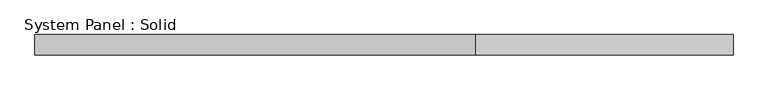
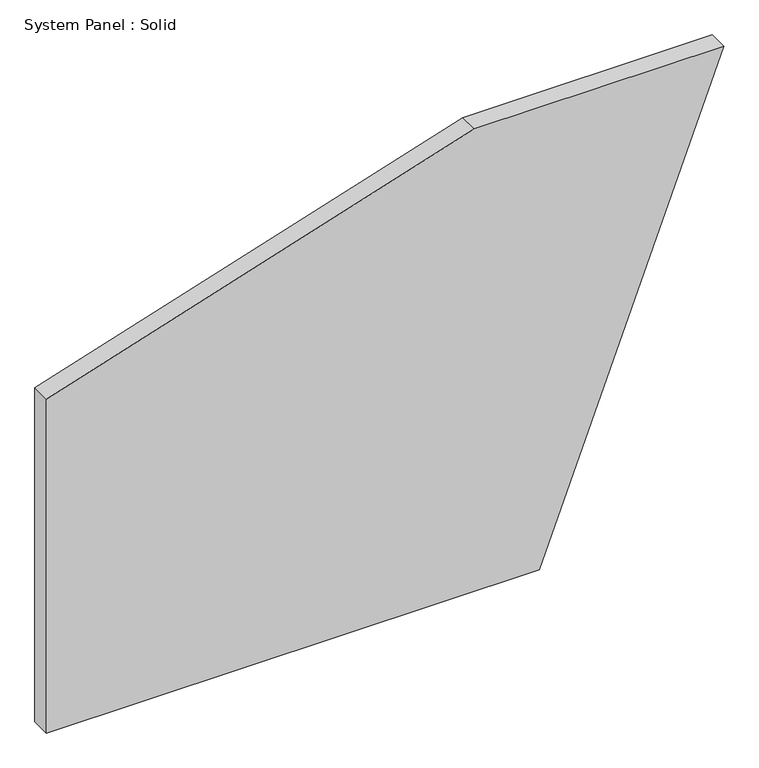
"""IFC4 building model written with IfcOpenShell, lengths in millimetres: plate geometry, System Panel : Solid."""

import ifcopenshell
import ifcopenshell.guid

model = None  # the IFC model being written
_history = None  # IfcOwnerHistory: only IFC2X3 demands one
_inside = {}  # id of a spatial element -> (the spatial element, [elements in it])
_under = {}  # id of a project, library or spatial element -> (it, [spatial elements below it])
_declared = {}  # id of a project -> (the project, [libraries it declares])
_typed = {}  # id of a type object -> (the type object, [elements of that type])
_made_of = {}  # id of a material, layer set ... -> (it, [elements and type objects made of it])


def new_model(schema):
    """Start an empty IFC model of exactly this schema.

    Asked for "IFC4X3", IfcOpenShell would pick the latest addendum, in which some entities
    have other attributes; the version numbers below select the first issue.
    IFC2X3 requires an IfcOwnerHistory on every rooted entity: one is made here for all.
    """
    global model, _history
    if schema == "IFC4X3":
        model = ifcopenshell.file(schema_version=(4, 3, 0, 0))
    else:
        model = ifcopenshell.file(schema=schema)
    _inside.clear()
    _under.clear()
    _declared.clear()
    _typed.clear()
    _made_of.clear()
    _history = None
    if model.schema == "IFC2X3":
        org = make("IfcOrganization", Name="unknown")
        user = make(
            "IfcPersonAndOrganization",
            ThePerson=make("IfcPerson", FamilyName="unknown"),
            TheOrganization=org,
        )
        app = make(
            "IfcApplication",
            ApplicationDeveloper=org,
            Version="unknown",
            ApplicationFullName="unknown",
            ApplicationIdentifier="unknown",
        )
        _history = make(
            "IfcOwnerHistory",
            OwningUser=user,
            OwningApplication=app,
            ChangeAction="ADDED",
            CreationDate=0,
        )
    return model


def make(cls, **values):
    """One entity of the class cls with the attributes given. An attribute that is None is left unset."""
    return model.create_entity(
        cls, **{name: value for name, value in values.items() if value is not None}
    )


def rooted(cls, **values):
    """An entity with a GlobalId (a new one), such as an element, a storey or a relation."""
    return make(cls, GlobalId=ifcopenshell.guid.new(), OwnerHistory=_history, **values)


def si_unit(unit_type, name, prefix=None):
    """IfcSIUnit, for example si_unit("LENGTHUNIT", "METRE", prefix="MILLI")."""
    return make("IfcSIUnit", UnitType=unit_type, Prefix=prefix, Name=name)


def assignment(units):
    """IfcUnitAssignment: the units of a project."""
    return None if units is None else make("IfcUnitAssignment", Units=units)


def point(xyz):
    """IfcCartesianPoint."""
    return None if xyz is None else make("IfcCartesianPoint", Coordinates=xyz)


def direction(xyz):
    """IfcDirection."""
    return None if xyz is None else make("IfcDirection", DirectionRatios=xyz)


def frame(location, z_axis=None, x_axis=None):
    """IfcAxis2Placement3D, a coordinate frame: its origin and axes. An axis left out is left unset."""
    return make(
        "IfcAxis2Placement3D",
        Location=point(location),
        Axis=direction(z_axis),
        RefDirection=direction(x_axis),
    )


def origin():
    """The frame at (0, 0, 0) with its axes left unset."""
    return frame((0.0, 0.0, 0.0))


def place(relative_to, where):
    """IfcLocalPlacement: puts the frame where relative to a parent placement (None: the world)."""
    return make(
        "IfcLocalPlacement", PlacementRelTo=relative_to, RelativePlacement=where
    )


def context(
    kind, dimensions, precision=None, world=None, true_north=None, identifier=None
):
    """IfcGeometricRepresentationContext, for example the 3D "Model" context."""
    return make(
        "IfcGeometricRepresentationContext",
        ContextIdentifier=identifier,
        ContextType=kind,
        CoordinateSpaceDimension=dimensions,
        Precision=precision,
        WorldCoordinateSystem=world,
        TrueNorth=true_north,
    )


def project(units=None, contexts=None):
    """IfcProject with its units and contexts."""
    return rooted(
        "IfcProject",
        Name="project",
        RepresentationContexts=contexts,
        UnitsInContext=assignment(units),
    )


def spatial(cls, under=None, at=None, **own):
    """A site, building, storey or space (cls), placed at a placement, below another one or the project."""
    s = rooted(cls, ObjectPlacement=at, **own)
    if under is not None:
        _under.setdefault(under.id(), (under, []))[1].append(s)
    return s


def polyline(points):
    """IfcPolyline through the points."""
    return make("IfcPolyline", Points=[point(p) for p in points])


def outline(outer, holes=None, kind="AREA"):
    """IfcArbitraryClosedProfileDef: a profile drawn as a closed curve; with holes, ...WithVoids."""
    if holes is None:
        return make("IfcArbitraryClosedProfileDef", ProfileType=kind, OuterCurve=outer)
    return make(
        "IfcArbitraryProfileDefWithVoids",
        ProfileType=kind,
        OuterCurve=outer,
        InnerCurves=holes,
    )


def extrude(swept, where, along, depth):
    """IfcExtrudedAreaSolid: the profile swept, set in the frame where, extruded along a direction by depth."""
    return make(
        "IfcExtrudedAreaSolid",
        SweptArea=swept,
        Position=where,
        ExtrudedDirection=direction(along),
        Depth=depth,
    )


def shape(context_of_items, identifier, shape_type, items):
    """IfcShapeRepresentation: the items that make up one representation, for example the "Body"."""
    return make(
        "IfcShapeRepresentation",
        ContextOfItems=context_of_items,
        RepresentationIdentifier=identifier,
        RepresentationType=shape_type,
        Items=items,
    )


def source(mapping_origin, context_of_items, identifier, shape_type, items):
    """IfcRepresentationMap: a shape defined once, which mapped items show again and again."""
    return make(
        "IfcRepresentationMap",
        MappingOrigin=mapping_origin,
        MappedRepresentation=shape(context_of_items, identifier, shape_type, items),
    )


def transform(
    local_origin,
    x_axis=None,
    y_axis=None,
    z_axis=None,
    scale=None,
    scale2=None,
    scale3=None,
    uniform=True,
):
    """IfcCartesianTransformationOperator3D, or its non-uniform kind. x_axis, y_axis, z_axis: its Axis1, 2, 3."""
    if uniform:
        return make(
            "IfcCartesianTransformationOperator3D",
            Axis1=direction(x_axis),
            Axis2=direction(y_axis),
            LocalOrigin=point(local_origin),
            Scale=scale,
            Axis3=direction(z_axis),
        )
    return make(
        "IfcCartesianTransformationOperator3DnonUniform",
        Axis1=direction(x_axis),
        Axis2=direction(y_axis),
        LocalOrigin=point(local_origin),
        Scale=scale,
        Axis3=direction(z_axis),
        Scale2=scale2,
        Scale3=scale3,
    )


def mapped(mapping_source, mapping_target):
    """IfcMappedItem: shows the shape of a source again, moved by a transform."""
    return make(
        "IfcMappedItem", MappingSource=mapping_source, MappingTarget=mapping_target
    )


def made_of(thing, what):
    """Note that an element or type object is made of a material, layer set ...; save() writes the relation."""
    if what is not None:
        _made_of.setdefault(what.id(), (what, []))[1].append(thing)
    return thing


def element(
    cls,
    number,
    at=None,
    inside=None,
    cuts=None,
    type_object=None,
    material=None,
    context=None,
    identifier="Body",
    shape_type=None,
    held_by="IfcProductDefinitionShape",
    body=None,
    shapes=None,
    **own,
):
    """One element of the class cls, such as IfcWall. Its Tag is "e" and its number.

    at: its placement. inside: the storey or other place that contains it. cuts: it is an
    opening in that element (IfcRelVoidsElement). A single representation is given by context,
    identifier, shape_type and body (its items); several are given by shapes. held_by: the class
    of the entity that holds the representations. save() writes the other relations.
    """
    e = rooted(cls, Tag="e%d" % number, ObjectPlacement=at, **own)
    if body is not None:
        shapes = [shape(context, identifier, shape_type, body)]
    if shapes is not None:
        e.Representation = make(held_by, Representations=shapes)
    if inside is not None:
        _inside.setdefault(inside.id(), (inside, []))[1].append(e)
    if cuts is not None:
        rooted(
            "IfcRelVoidsElement", RelatingBuildingElement=cuts, RelatedOpeningElement=e
        )
    if type_object is not None:
        _typed.setdefault(type_object.id(), (type_object, []))[1].append(e)
    return made_of(e, material)


def aggregate(whole, parts):
    """IfcRelAggregates: a whole, such as a stair, and the parts it consists of."""
    return rooted("IfcRelAggregates", RelatingObject=whole, RelatedObjects=parts)


def save(model, path):
    """Write the relations noted so far, then the file.

    IfcRelAggregates (storeys below a building ...), IfcRelContainedInSpatialStructure (elements
    in a storey), IfcRelDefinesByType, IfcRelAssociatesMaterial and IfcRelDeclares: one each for
    every whole, place, type object, material and project.
    """
    for whole, parts in _under.values():
        aggregate(whole, parts)
    for where, things in _inside.values():
        rooted(
            "IfcRelContainedInSpatialStructure",
            RelatedElements=things,
            RelatingStructure=where,
        )
    for kind, things in _typed.values():
        rooted("IfcRelDefinesByType", RelatedObjects=things, RelatingType=kind)
    for what, things in _made_of.values():
        rooted("IfcRelAssociatesMaterial", RelatedObjects=things, RelatingMaterial=what)
    for by, libraries in _declared.values():
        rooted("IfcRelDeclares", RelatingContext=by, RelatedDefinitions=libraries)
    model.write(path)


def system_panel_solid_768fd809(model_context):
    return source(origin(), model_context, "Body", "SweptSolid", [
        extrude(outline(polyline([(0.0, -1038.8303319), (0.0, 473.7563489), (1500.0, 1038.8303319), (1500.0, 273.703568), (1082.7711804, -1038.8303319), (0.0, -1038.8303319)])), frame((0.0, -10.5, 0.0), z_axis=(0.0, 1.0, 0.0), x_axis=(0.0, 0.0, 1.0)), (0.0, 0.0, 1.0), 60.0),
    ])


if __name__ == "__main__":
    model = new_model("IFC4")
    model_context = context("Model", 3, world=origin())
    ifc_project = project(units=[si_unit("LENGTHUNIT", "METRE", prefix="MILLI")], contexts=[model_context])
    site = spatial("IfcSite", under=ifc_project)
    building = spatial("IfcBuilding", under=site)
    placement = place(None, origin())
    system_panel_solid_shape = system_panel_solid_768fd809(model_context)
    element("IfcPlate", 1, ObjectType="System Panel : Solid", at=placement, inside=building, context=model_context, shape_type="MappedRepresentation", body=[
        mapped(system_panel_solid_shape, transform((0.0, 0.0, 0.0), x_axis=(1.0, 0.0, 0.0), y_axis=(0.0, 1.0, 0.0), z_axis=(0.0, 0.0, 1.0))),
    ])
    save(model, "model.ifc")
